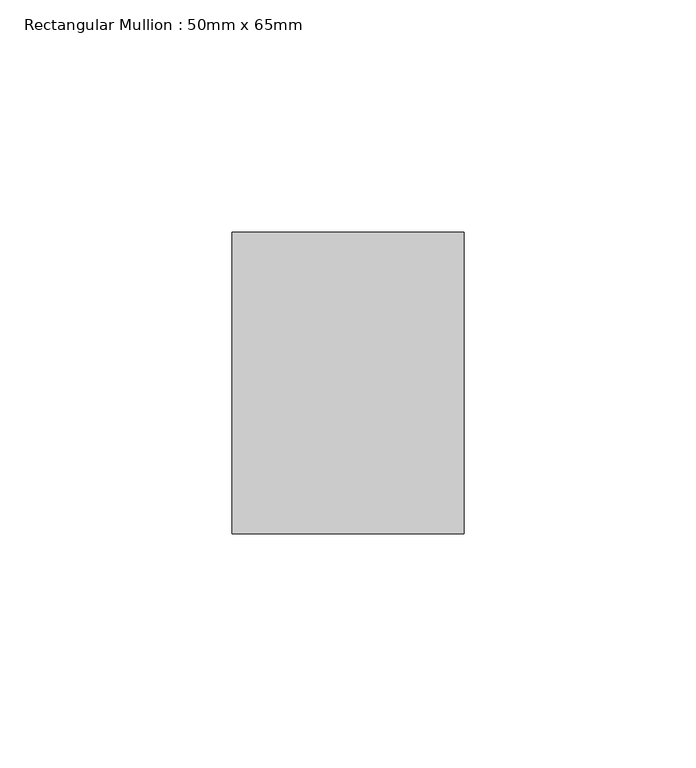
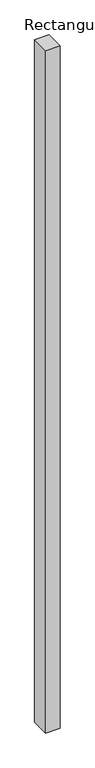
"""IFC4 building model written with IfcOpenShell, lengths in millimetres: member geometry, Rectangular Mullion : 50mm x 65mm."""

from ifc_helpers import new_model, si_unit, frame, origin, place, context, project, spatial, polyline, outline, extrude, source, transform, mapped, element, save


def rectangular_mullion_50mm_x_65mm_b9b5eaaf(model_context):
    return source(origin(), model_context, "Body", "SweptSolid", [
        extrude(outline(polyline([(25.0, 32.5), (25.0, -32.5), (-25.0, -32.5), (-25.0, 32.5), (25.0, 32.5)])), frame((0.0, 0.0, -2478.0256794), z_axis=(0.0, 0.0, 1.0), x_axis=(1.0, 0.0, 0.0)), (0.0, 0.0, 1.0), 2478.0256794),
    ])


if __name__ == "__main__":
    model = new_model("IFC4")
    model_context = context("Model", 3, world=origin())
    ifc_project = project(units=[si_unit("LENGTHUNIT", "METRE", prefix="MILLI")], contexts=[model_context])
    site = spatial("IfcSite", under=ifc_project)
    building = spatial("IfcBuilding", under=site)
    placement = place(None, origin())
    rectangular_mullion_50mm_x_65mm_shape = rectangular_mullion_50mm_x_65mm_b9b5eaaf(model_context)
    element("IfcMember", 1, ObjectType="Rectangular Mullion : 50mm x 65mm", at=placement, inside=building, context=model_context, shape_type="MappedRepresentation", body=[
        mapped(rectangular_mullion_50mm_x_65mm_shape, transform((0.0, 0.0, 0.0), x_axis=(1.0, 0.0, 0.0), y_axis=(0.0, 1.0, 0.0), z_axis=(0.0, 0.0, 1.0))),
    ])
    save(model, "model.ifc")
